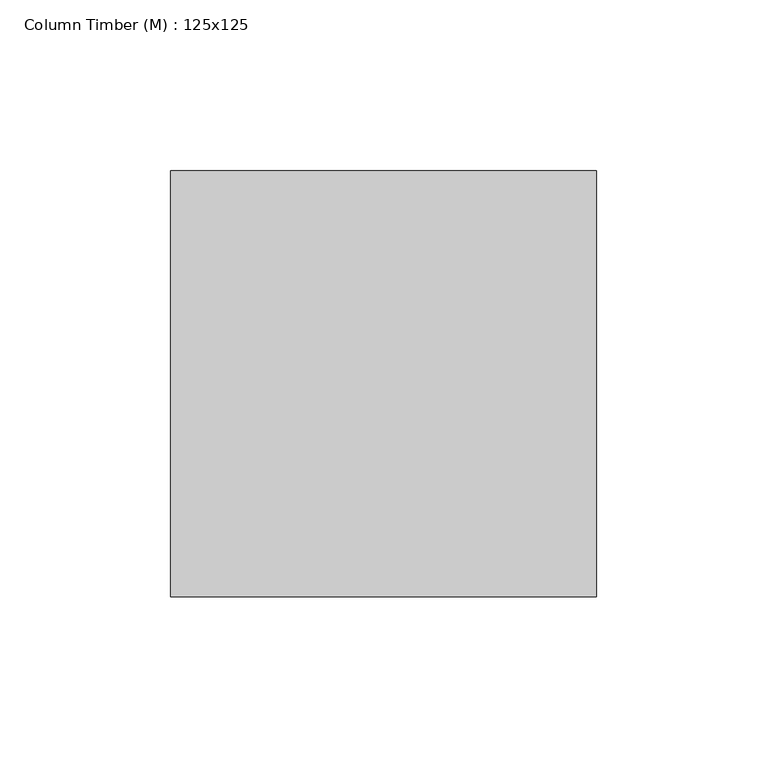
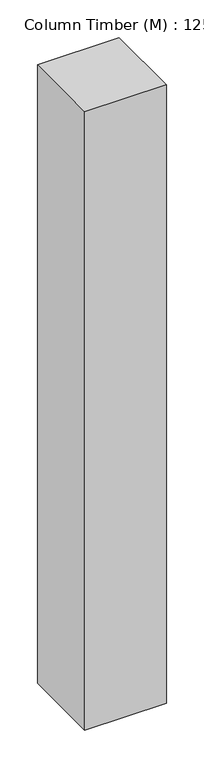
"""IFC4 building model written with IfcOpenShell, lengths in millimetres: column geometry, Column Timber (M) : 125x125."""

from ifc_helpers import new_model, si_unit, frame, origin, place, context, project, spatial, polyline, outline, extrude, source, transform, mapped, element, save


def column_timber_m_125x125_80171c6d(model_context):
    return source(origin(), model_context, "Body", "SweptSolid", [
        extrude(outline(polyline([(62.5, 62.5), (62.5, -62.5), (-62.5, -62.5), (-62.5, 62.5), (62.5, 62.5)])), frame((0.0, 0.0, -1000.0), z_axis=(0.0, 0.0, 1.0), x_axis=(1.0, 0.0, 0.0)), (0.0, 0.0, 1.0), 1000.0),
    ])


if __name__ == "__main__":
    model = new_model("IFC4")
    model_context = context("Model", 3, world=origin())
    ifc_project = project(units=[si_unit("LENGTHUNIT", "METRE", prefix="MILLI")], contexts=[model_context])
    site = spatial("IfcSite", under=ifc_project)
    building = spatial("IfcBuilding", under=site)
    placement = place(None, origin())
    column_timber_m_125x125_shape = column_timber_m_125x125_80171c6d(model_context)
    element("IfcColumn", 1, ObjectType="Column Timber (M) : 125x125", at=placement, inside=building, context=model_context, shape_type="MappedRepresentation", body=[
        mapped(column_timber_m_125x125_shape, transform((0.0, 0.0, 0.0), x_axis=(1.0, 0.0, 0.0), y_axis=(0.0, 1.0, 0.0), z_axis=(0.0, 0.0, 1.0))),
    ])
    save(model, "model.ifc")
